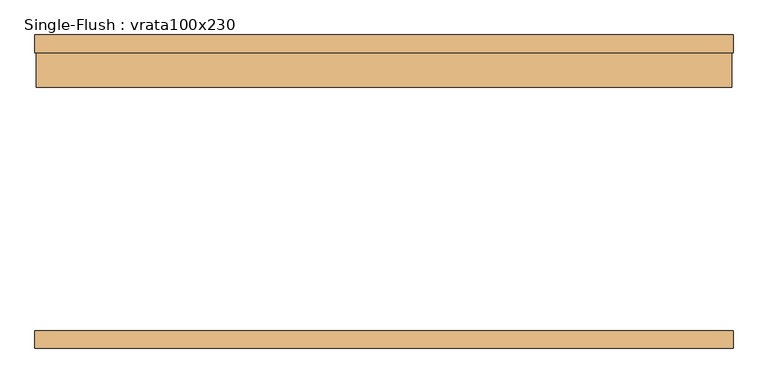
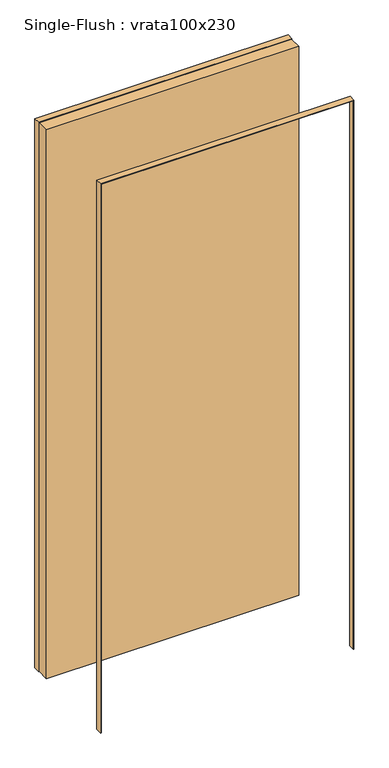
"""IFC4 building model written with IfcOpenShell, lengths in millimetres: door geometry, Single-Flush : vrata100x230."""

from ifc_helpers import new_model, si_unit, frame, origin, origin_with_axes, place, context, project, spatial, polyline, outline, extrude, source, transform, mapped, element, save


def single_flush_vrata100x230_273f2c89(model_context):
    return source(origin(), model_context, "Body", "SweptSolid", [
        extrude(outline(polyline([(2302.0, -502.0), (0.0, -502.0), (0.0, -500.0), (2300.0, -500.0), (2300.0, 500.0), (0.0, 500.0), (0.0, 502.0), (2302.0, 502.0), (2302.0, -502.0)])), frame((0.0, 200.0, 0.0), z_axis=(0.0, 1.0, 0.0), x_axis=(0.0, 0.0, 1.0)), (0.0, 0.0, 1.0), 25.4),
        extrude(outline(polyline([(2302.0, 502.0), (2302.0, -502.0), (0.0, -502.0), (0.0, -500.0), (2300.0, -500.0), (2300.0, 500.0), (0.0, 500.0), (0.0, 502.0), (2302.0, 502.0)])), frame((0.0, -225.4, 0.0), z_axis=(0.0, 1.0, 0.0), x_axis=(0.0, 0.0, 1.0)), (0.0, 0.0, 1.0), 25.4),
        extrude(outline(polyline([(500.0, 150.0), (-500.0, 150.0), (-500.0, 200.0), (500.0, 200.0), (500.0, 150.0)])), origin_with_axes(), (0.0, 0.0, 1.0), 2300.0),
    ])


if __name__ == "__main__":
    model = new_model("IFC4")
    model_context = context("Model", 3, world=origin())
    ifc_project = project(units=[si_unit("LENGTHUNIT", "METRE", prefix="MILLI")], contexts=[model_context])
    site = spatial("IfcSite", under=ifc_project)
    building = spatial("IfcBuilding", under=site)
    placement = place(None, origin())
    single_flush_vrata100x230_shape = single_flush_vrata100x230_273f2c89(model_context)
    element("IfcDoor", 1, ObjectType="Single-Flush : vrata100x230", at=placement, inside=building, context=model_context, shape_type="MappedRepresentation", body=[
        mapped(single_flush_vrata100x230_shape, transform((0.0, 0.0, 0.0), x_axis=(1.0, 0.0, 0.0), y_axis=(0.0, 1.0, 0.0), z_axis=(0.0, 0.0, 1.0))),
    ])
    save(model, "model.ifc")
